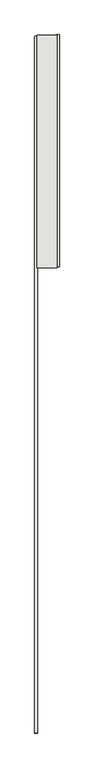
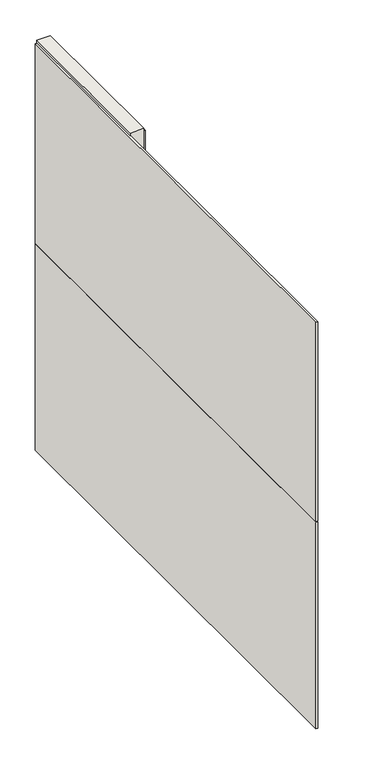
"""IFC4 building model written with IfcOpenShell, lengths in millimetres: wall geometry."""

from ifc_helpers import new_model, si_unit, frame, origin, place, context, project, spatial, polyline, outline, extrude, source, transform, mapped, element, save


def wall_ea867ec6(model_context):
    return source(origin(), model_context, "Body", "SweptSolid", [
        extrude(outline(polyline([(64721.142211, -45080.2176626), (64721.142211, -45077.6776626), (64723.682211, -45077.6776626), (64723.682211, -45080.2176626), (64721.142211, -45080.2176626)])), frame((0.0, 0.0, 4419.6), z_axis=(0.0, 0.0, 1.0), x_axis=(1.0, 0.0, 0.0)), (0.0, 0.0, 1.0), 2.54),
        extrude(outline(polyline([(64773.212211, -45077.2101502), (64773.212211, -46033.0735166), (64760.512211, -46033.0735166), (64760.512211, -45077.2101502), (64773.212211, -45077.2101502)])), frame((0.0, 0.0, 4445.0), z_axis=(0.0, 0.0, 1.0), x_axis=(1.0, 0.0, 0.0)), (0.0, 0.0, 1.0), 2545.0498756),
        extrude(outline(polyline([(64671.612211, -47957.730729), (64671.612211, -45082.140595), (64684.312211, -45082.140595), (64684.312211, -47957.730729), (64671.612211, -47957.730729)])), frame((0.0, 0.0, 5742.399869), z_axis=(0.0, 0.0, 1.0), x_axis=(1.0, 0.0, 0.0)), (0.0, 0.0, 1.0), 1247.649905),
        extrude(outline(polyline([(64671.612211, -47957.730729), (64671.612211, -45082.140595), (64684.312211, -45082.140595), (64684.312211, -47957.730729), (64671.612211, -47957.730729)])), frame((0.0, 0.0, 4445.0), z_axis=(0.0, 0.0, 1.0), x_axis=(1.0, 0.0, 0.0)), (0.0, 0.0, 1.0), 1293.400004),
        extrude(outline(polyline([(64747.4959556, -46037.5496062), (64747.4959556, -45077.6857144), (64752.574711, -45077.6857144), (64752.574711, -46037.5496062), (64747.4959556, -46037.5496062)])), frame((0.0, 0.0, 4418.6602), z_axis=(0.0, 0.0, 1.0), x_axis=(1.0, 0.0, 0.0)), (0.0, 0.0, 1.0), 47.625),
        extrude(outline(polyline([(64747.4959556, -46037.5496062), (64747.4959556, -45077.6857144), (64752.574711, -45077.6857144), (64752.574711, -46037.5496062), (64747.4959556, -46037.5496062)])), frame((0.0, 0.0, 4418.6602), z_axis=(0.0, 0.0, 1.0), x_axis=(1.0, 0.0, 0.0)), (0.0, 0.0, 1.0), 47.625),
        extrude(outline(polyline([(64697.3284664, -45077.6857144), (64697.3284664, -46037.5496062), (64692.249711, -46037.5496062), (64692.249711, -45077.6857144), (64697.3284664, -45077.6857144)])), frame((0.0, 0.0, 4418.6602), z_axis=(0.0, 0.0, 1.0), x_axis=(1.0, 0.0, 0.0)), (0.0, 0.0, 1.0), 47.625),
        extrude(outline(polyline([(64697.3284664, -45077.6857144), (64697.3284664, -46037.5496062), (64692.249711, -46037.5496062), (64692.249711, -45077.6857144), (64697.3284664, -45077.6857144)])), frame((0.0, 0.0, 4418.6602), z_axis=(0.0, 0.0, 1.0), x_axis=(1.0, 0.0, 0.0)), (0.0, 0.0, 1.0), 47.625),
        extrude(outline(polyline([(64763.0670954, -46037.5248158), (64681.7573266, -46037.5248158), (64681.7573266, -45077.6857144), (64763.0670954, -45077.6857144), (64763.0670954, -46037.5248158)])), frame((0.0, 0.0, 4445.0), z_axis=(0.0, 0.0, 1.0), x_axis=(1.0, 0.0, 0.0)), (0.0, 0.0, 1.0), 2562.4536762),
    ])


if __name__ == "__main__":
    model = new_model("IFC4")
    model_context = context("Model", 3, world=origin())
    ifc_project = project(units=[si_unit("LENGTHUNIT", "METRE", prefix="MILLI")], contexts=[model_context])
    site = spatial("IfcSite", under=ifc_project)
    building = spatial("IfcBuilding", under=site)
    placement = place(None, origin())
    wall_shape = wall_ea867ec6(model_context)
    element("IfcWall", 1, at=placement, inside=building, context=model_context, shape_type="MappedRepresentation", body=[
        mapped(wall_shape, transform((0.0, 0.0, 0.0), x_axis=(1.0, 0.0, 0.0), y_axis=(0.0, 1.0, 0.0), z_axis=(0.0, 0.0, 1.0))),
    ])
    save(model, "model.ifc")
